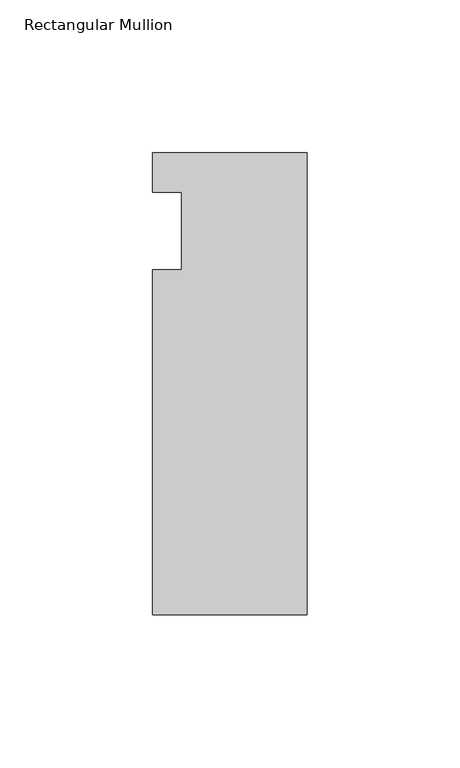
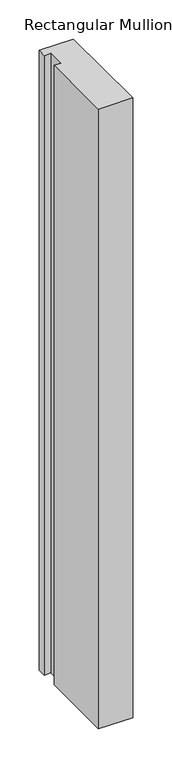
"""IFC4 building model written with IfcOpenShell, lengths in millimetres: member geometry, Rectangular Mullion."""

import ifcopenshell
import ifcopenshell.guid

model = None  # the IFC model being written
_history = None  # IfcOwnerHistory: only IFC2X3 demands one
_inside = {}  # id of a spatial element -> (the spatial element, [elements in it])
_under = {}  # id of a project, library or spatial element -> (it, [spatial elements below it])
_declared = {}  # id of a project -> (the project, [libraries it declares])
_typed = {}  # id of a type object -> (the type object, [elements of that type])
_made_of = {}  # id of a material, layer set ... -> (it, [elements and type objects made of it])


def new_model(schema):
    """Start an empty IFC model of exactly this schema.

    Asked for "IFC4X3", IfcOpenShell would pick the latest addendum, in which some entities
    have other attributes; the version numbers below select the first issue.
    IFC2X3 requires an IfcOwnerHistory on every rooted entity: one is made here for all.
    """
    global model, _history
    if schema == "IFC4X3":
        model = ifcopenshell.file(schema_version=(4, 3, 0, 0))
    else:
        model = ifcopenshell.file(schema=schema)
    _inside.clear()
    _under.clear()
    _declared.clear()
    _typed.clear()
    _made_of.clear()
    _history = None
    if model.schema == "IFC2X3":
        org = make("IfcOrganization", Name="unknown")
        user = make(
            "IfcPersonAndOrganization",
            ThePerson=make("IfcPerson", FamilyName="unknown"),
            TheOrganization=org,
        )
        app = make(
            "IfcApplication",
            ApplicationDeveloper=org,
            Version="unknown",
            ApplicationFullName="unknown",
            ApplicationIdentifier="unknown",
        )
        _history = make(
            "IfcOwnerHistory",
            OwningUser=user,
            OwningApplication=app,
            ChangeAction="ADDED",
            CreationDate=0,
        )
    return model


def make(cls, **values):
    """One entity of the class cls with the attributes given. An attribute that is None is left unset."""
    return model.create_entity(
        cls, **{name: value for name, value in values.items() if value is not None}
    )


def rooted(cls, **values):
    """An entity with a GlobalId (a new one), such as an element, a storey or a relation."""
    return make(cls, GlobalId=ifcopenshell.guid.new(), OwnerHistory=_history, **values)


def si_unit(unit_type, name, prefix=None):
    """IfcSIUnit, for example si_unit("LENGTHUNIT", "METRE", prefix="MILLI")."""
    return make("IfcSIUnit", UnitType=unit_type, Prefix=prefix, Name=name)


def assignment(units):
    """IfcUnitAssignment: the units of a project."""
    return None if units is None else make("IfcUnitAssignment", Units=units)


def point(xyz):
    """IfcCartesianPoint."""
    return None if xyz is None else make("IfcCartesianPoint", Coordinates=xyz)


def direction(xyz):
    """IfcDirection."""
    return None if xyz is None else make("IfcDirection", DirectionRatios=xyz)


def frame(location, z_axis=None, x_axis=None):
    """IfcAxis2Placement3D, a coordinate frame: its origin and axes. An axis left out is left unset."""
    return make(
        "IfcAxis2Placement3D",
        Location=point(location),
        Axis=direction(z_axis),
        RefDirection=direction(x_axis),
    )


def origin():
    """The frame at (0, 0, 0) with its axes left unset."""
    return frame((0.0, 0.0, 0.0))


def place(relative_to, where):
    """IfcLocalPlacement: puts the frame where relative to a parent placement (None: the world)."""
    return make(
        "IfcLocalPlacement", PlacementRelTo=relative_to, RelativePlacement=where
    )


def context(
    kind, dimensions, precision=None, world=None, true_north=None, identifier=None
):
    """IfcGeometricRepresentationContext, for example the 3D "Model" context."""
    return make(
        "IfcGeometricRepresentationContext",
        ContextIdentifier=identifier,
        ContextType=kind,
        CoordinateSpaceDimension=dimensions,
        Precision=precision,
        WorldCoordinateSystem=world,
        TrueNorth=true_north,
    )


def project(units=None, contexts=None):
    """IfcProject with its units and contexts."""
    return rooted(
        "IfcProject",
        Name="project",
        RepresentationContexts=contexts,
        UnitsInContext=assignment(units),
    )


def spatial(cls, under=None, at=None, **own):
    """A site, building, storey or space (cls), placed at a placement, below another one or the project."""
    s = rooted(cls, ObjectPlacement=at, **own)
    if under is not None:
        _under.setdefault(under.id(), (under, []))[1].append(s)
    return s


def polyline(points):
    """IfcPolyline through the points."""
    return make("IfcPolyline", Points=[point(p) for p in points])


def outline(outer, holes=None, kind="AREA"):
    """IfcArbitraryClosedProfileDef: a profile drawn as a closed curve; with holes, ...WithVoids."""
    if holes is None:
        return make("IfcArbitraryClosedProfileDef", ProfileType=kind, OuterCurve=outer)
    return make(
        "IfcArbitraryProfileDefWithVoids",
        ProfileType=kind,
        OuterCurve=outer,
        InnerCurves=holes,
    )


def extrude(swept, where, along, depth):
    """IfcExtrudedAreaSolid: the profile swept, set in the frame where, extruded along a direction by depth."""
    return make(
        "IfcExtrudedAreaSolid",
        SweptArea=swept,
        Position=where,
        ExtrudedDirection=direction(along),
        Depth=depth,
    )


def shape(context_of_items, identifier, shape_type, items):
    """IfcShapeRepresentation: the items that make up one representation, for example the "Body"."""
    return make(
        "IfcShapeRepresentation",
        ContextOfItems=context_of_items,
        RepresentationIdentifier=identifier,
        RepresentationType=shape_type,
        Items=items,
    )


def source(mapping_origin, context_of_items, identifier, shape_type, items):
    """IfcRepresentationMap: a shape defined once, which mapped items show again and again."""
    return make(
        "IfcRepresentationMap",
        MappingOrigin=mapping_origin,
        MappedRepresentation=shape(context_of_items, identifier, shape_type, items),
    )


def transform(
    local_origin,
    x_axis=None,
    y_axis=None,
    z_axis=None,
    scale=None,
    scale2=None,
    scale3=None,
    uniform=True,
):
    """IfcCartesianTransformationOperator3D, or its non-uniform kind. x_axis, y_axis, z_axis: its Axis1, 2, 3."""
    if uniform:
        return make(
            "IfcCartesianTransformationOperator3D",
            Axis1=direction(x_axis),
            Axis2=direction(y_axis),
            LocalOrigin=point(local_origin),
            Scale=scale,
            Axis3=direction(z_axis),
        )
    return make(
        "IfcCartesianTransformationOperator3DnonUniform",
        Axis1=direction(x_axis),
        Axis2=direction(y_axis),
        LocalOrigin=point(local_origin),
        Scale=scale,
        Axis3=direction(z_axis),
        Scale2=scale2,
        Scale3=scale3,
    )


def mapped(mapping_source, mapping_target):
    """IfcMappedItem: shows the shape of a source again, moved by a transform."""
    return make(
        "IfcMappedItem", MappingSource=mapping_source, MappingTarget=mapping_target
    )


def made_of(thing, what):
    """Note that an element or type object is made of a material, layer set ...; save() writes the relation."""
    if what is not None:
        _made_of.setdefault(what.id(), (what, []))[1].append(thing)
    return thing


def element(
    cls,
    number,
    at=None,
    inside=None,
    cuts=None,
    type_object=None,
    material=None,
    context=None,
    identifier="Body",
    shape_type=None,
    held_by="IfcProductDefinitionShape",
    body=None,
    shapes=None,
    **own,
):
    """One element of the class cls, such as IfcWall. Its Tag is "e" and its number.

    at: its placement. inside: the storey or other place that contains it. cuts: it is an
    opening in that element (IfcRelVoidsElement). A single representation is given by context,
    identifier, shape_type and body (its items); several are given by shapes. held_by: the class
    of the entity that holds the representations. save() writes the other relations.
    """
    e = rooted(cls, Tag="e%d" % number, ObjectPlacement=at, **own)
    if body is not None:
        shapes = [shape(context, identifier, shape_type, body)]
    if shapes is not None:
        e.Representation = make(held_by, Representations=shapes)
    if inside is not None:
        _inside.setdefault(inside.id(), (inside, []))[1].append(e)
    if cuts is not None:
        rooted(
            "IfcRelVoidsElement", RelatingBuildingElement=cuts, RelatedOpeningElement=e
        )
    if type_object is not None:
        _typed.setdefault(type_object.id(), (type_object, []))[1].append(e)
    return made_of(e, material)


def aggregate(whole, parts):
    """IfcRelAggregates: a whole, such as a stair, and the parts it consists of."""
    return rooted("IfcRelAggregates", RelatingObject=whole, RelatedObjects=parts)


def save(model, path):
    """Write the relations noted so far, then the file.

    IfcRelAggregates (storeys below a building ...), IfcRelContainedInSpatialStructure (elements
    in a storey), IfcRelDefinesByType, IfcRelAssociatesMaterial and IfcRelDeclares: one each for
    every whole, place, type object, material and project.
    """
    for whole, parts in _under.values():
        aggregate(whole, parts)
    for where, things in _inside.values():
        rooted(
            "IfcRelContainedInSpatialStructure",
            RelatedElements=things,
            RelatingStructure=where,
        )
    for kind, things in _typed.values():
        rooted("IfcRelDefinesByType", RelatedObjects=things, RelatingType=kind)
    for what, things in _made_of.values():
        rooted("IfcRelAssociatesMaterial", RelatedObjects=things, RelatingMaterial=what)
    for by, libraries in _declared.values():
        rooted("IfcRelDeclares", RelatingContext=by, RelatedDefinitions=libraries)
    model.write(path)


def rectangular_mullion_96c7529b(model_context):
    return source(origin(), model_context, "Body", "SweptSolid", [
        extrude(outline(polyline([(-50.8, 25.7961253), (0.0, 25.7961253), (0.0, -125.8036906), (-50.8, -125.8036906), (-50.8, -12.7), (-41.275, -12.7), (-41.275, 12.7), (-50.8, 12.7), (-50.8, 25.7961253)])), frame((0.0, 0.0, -967.42885), z_axis=(0.0, 0.0, 1.0), x_axis=(1.0, 0.0, 0.0)), (0.0, 0.0, 1.0), 967.42885),
    ])


if __name__ == "__main__":
    model = new_model("IFC4")
    model_context = context("Model", 3, world=origin())
    ifc_project = project(units=[si_unit("LENGTHUNIT", "METRE", prefix="MILLI")], contexts=[model_context])
    site = spatial("IfcSite", under=ifc_project)
    building = spatial("IfcBuilding", under=site)
    placement = place(None, origin())
    rectangular_mullion_shape = rectangular_mullion_96c7529b(model_context)
    element("IfcMember", 1, ObjectType="Rectangular Mullion", at=placement, inside=building, context=model_context, shape_type="MappedRepresentation", body=[
        mapped(rectangular_mullion_shape, transform((0.0, 0.0, 0.0), x_axis=(1.0, 0.0, 0.0), y_axis=(0.0, 1.0, 0.0), z_axis=(0.0, 0.0, 1.0))),
    ])
    save(model, "model.ifc")
